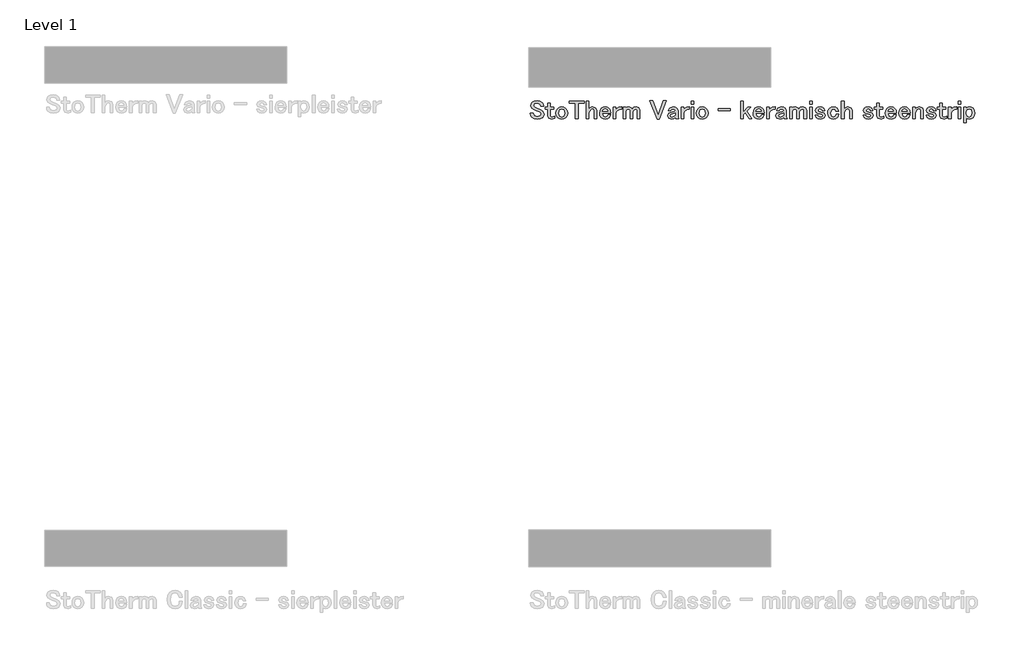
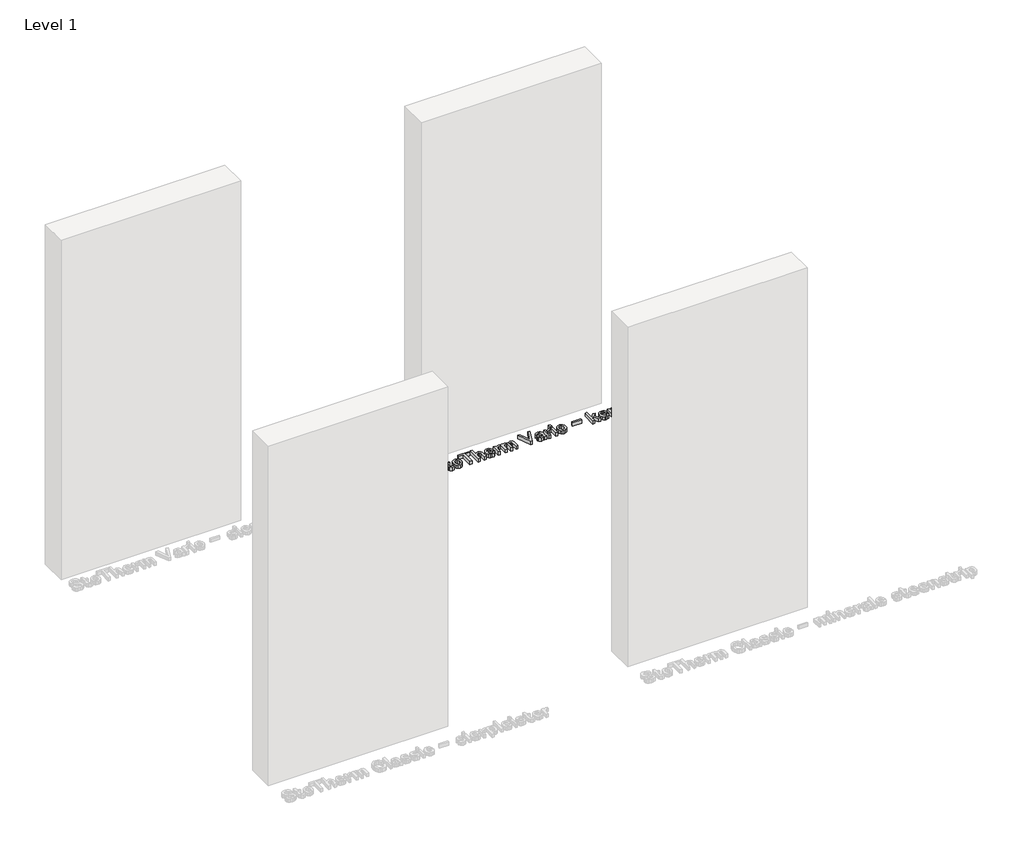
# One storey, part 3 of 3: 1 proxy.
"""IFC4 building model written with IfcOpenShell, lengths in millimetres."""

from ifc_helpers import new_model, si_unit, origin, origin_with_axes, place, context, project, spatial, polyline, outline, extrude, element, save

model = new_model("IFC4")

# Units and contexts
model_context = context("Model", 3, world=origin())
ifc_project = project(units=[si_unit("LENGTHUNIT", "METRE", prefix="MILLI")], contexts=[model_context])

# Site, building, storey
site = spatial("IfcSite", under=ifc_project)
building = spatial("IfcBuilding", under=site)
storey = spatial("IfcBuildingStorey", under=building, Name="Level 1", Elevation=0.0)

# Proxy
placement = place(None, origin())
element("IfcBuildingElementProxy", 1, Name="Generic Models", at=placement, inside=storey, context=model_context, shape_type="SweptSolid", body=[
    extrude(outline(polyline([(4967.1007315, 3067.1164993), (4968.6740526, 3074.8322385), (4973.394016, 3081.5996746), (4981.2390693, 3086.1903239), (4992.5324976, 3087.7205403), (5004.6621568, 3085.9748004), (5013.3606829, 3080.7375808), (5018.0935777, 3073.8322097), (5019.6712093, 3065.7026656), (5007.6536222, 3065.7026656), (5004.5500846, 3074.3925707), (4993.3945913, 3078.082332), (4981.7908093, 3074.8236176), (4979.1355605, 3068.3923981), (4980.5149105, 3063.2370774), (4987.8427075, 3059.0817854), (5010.0157591, 3049.2711584), (5016.7745742, 3044.8917221), (5021.8092018, 3033.4086332), (5020.2315702, 3025.3782297), (5015.4986754, 3018.494411), (5006.8001494, 3013.5804766), (4993.8083963, 3011.9424984), (4980.8166433, 3013.8994513), (4971.2560235, 3019.7703098), (4966.8593453, 3026.9946555), (4965.3937859, 3036.9432176), (4977.4286148, 3036.9432176), (4980.5149105, 3025.684273), (4994.2394432, 3021.1496598), (5006.6708353, 3025.270468), (5009.7743728, 3031.7016875), (5007.5329291, 3037.7018601), (5001.0155002, 3041.857152), (4989.9289744, 3046.977989), (4977.6010336, 3052.512631), (4971.2560235, 3056.4782623), (4967.1007315, 3067.1164993)])), origin_with_axes(), (0.0, 0.0, 1.0), 20.0),
    extrude(outline(polyline([(5036.5510052, 3078.3409601), (5047.2926935, 3078.3409601), (5047.2926935, 3061.6853086), (5061.8103524, 3061.6853086), (5061.8103524, 3053.754046), (5047.2926935, 3053.754046), (5047.2926935, 3026.5808505), (5049.1030904, 3022.2703817), (5053.8790898, 3020.7186129), (5065.6380488, 3023.7186992), (5065.6380488, 3014.8908591), (5054.2928948, 3011.9424984), (5041.137344, 3015.9426135), (5036.5510052, 3025.7187568), (5036.5510052, 3053.754046), (5026.3093312, 3053.754046), (5026.3093312, 3061.6853086), (5036.5510052, 3061.6853086), (5036.5510052, 3078.3409601)])), origin_with_axes(), (0.0, 0.0, 1.0), 20.0),
    extrude(outline(polyline([(5070.724402, 3037.2363295), (5072.6166978, 3047.5211081), (5078.2935852, 3055.9954898), (5085.7162125, 3060.9094242), (5094.8802692, 3062.5474024), (5104.0227736, 3060.9094242), (5111.4497114, 3055.9954898), (5117.1265988, 3047.5124871), (5119.0188946, 3037.2363295), (5117.1265988, 3026.9731032), (5111.4497114, 3018.494411), (5104.0227736, 3013.5804766), (5094.8802692, 3011.9424984), (5085.7162125, 3013.5804766), (5078.2935852, 3018.494411), (5072.6166978, 3026.9644823), (5070.724402, 3037.2363295)]), holes=[polyline([(5094.8802692, 3053.754046), (5087.1214254, 3050.4953316), (5082.328184, 3037.2363295), (5086.6903785, 3024.4083743), (5094.8802692, 3020.7186129), (5103.0529181, 3024.4083743), (5107.4323544, 3037.2363295), (5102.6218712, 3050.4953316), (5094.8802692, 3053.754046)])]), origin_with_axes(), (0.0, 0.0, 1.0), 20.0),
    extrude(outline(polyline([(5126.3984172, 3086.8756884), (5187.0725764, 3086.8756884), (5187.0725764, 3077.6512851), (5162.7442903, 3077.6512851), (5162.7442903, 3012.7873503), (5150.7267033, 3012.7873503), (5150.7267033, 3077.6512851), (5126.3984172, 3077.6512851), (5126.3984172, 3086.8756884)])), origin_with_axes(), (0.0, 0.0, 1.0), 20.0),
    extrude(outline(polyline([(5196.0211096, 3086.8756884), (5206.7627979, 3086.8756884), (5206.7627979, 3053.1505803), (5213.1509127, 3060.1981969), (5221.4528757, 3062.5474024), (5235.4532784, 3058.1162404), (5240.0568591, 3047.4780034), (5240.0568591, 3012.7873503), (5229.3151708, 3012.7873503), (5229.3151708, 3045.3572527), (5226.6426801, 3052.6333241), (5221.4528757, 3054.6161397), (5213.6940318, 3050.9263784), (5206.7627979, 3038.0984232), (5206.7627979, 3012.7873503), (5196.0211096, 3012.7873503), (5196.0211096, 3086.8756884)])), origin_with_axes(), (0.0, 0.0, 1.0), 20.0),
    extrude(outline(polyline([(5251.0226918, 3037.2363295), (5252.9149876, 3047.8400828), (5258.591875, 3056.4092948), (5265.6912172, 3061.0128755), (5274.7475122, 3062.5474024), (5283.5753523, 3060.9094242), (5290.8859074, 3055.9954898), (5295.6058708, 3048.0125015), (5297.1791919, 3036.6845895), (5262.6264738, 3036.6845895), (5266.5576214, 3024.4083743), (5275.5923641, 3020.7186129), (5283.3339661, 3023.1324755), (5286.0236986, 3030.115435), (5297.6102388, 3030.115435), (5291.7307593, 3017.6495591), (5284.8512511, 3013.3692636), (5275.5923641, 3011.9424984), (5265.7946684, 3013.5804766), (5258.1608281, 3018.494411), (5252.8072259, 3026.7489588), (5251.0226918, 3037.2363295)]), holes=[polyline([(5274.3164653, 3054.1850929), (5266.5576214, 3050.9263784), (5263.0402788, 3044.6158521), (5285.1616048, 3044.6158521), (5282.0580673, 3051.3574253), (5274.3164653, 3054.1850929)])]), origin_with_axes(), (0.0, 0.0, 1.0), 20.0),
    extrude(outline(polyline([(5321.6971386, 3055.5644429), (5330.2491087, 3060.8016625), (5341.9391001, 3062.5474024), (5341.9391001, 3052.0471003), (5336.14583, 3052.4781472), (5324.9730949, 3047.0814402), (5318.9039548, 3037.719102), (5318.9039548, 3012.7873503), (5308.1622665, 3012.7873503), (5308.1622665, 3061.6853086), (5318.9039548, 3061.6853086), (5318.9039548, 3049.736689), (5321.6971386, 3055.5644429)])), origin_with_axes(), (0.0, 0.0, 1.0), 20.0),
    extrude(outline(polyline([(5359.0430404, 3012.7873503), (5348.3013521, 3012.7873503), (5348.3013521, 3061.6853086), (5359.0430404, 3061.6853086), (5359.0430404, 3054.443721), (5363.8233503, 3060.521482), (5370.7502737, 3062.5474024), (5383.9058246, 3058.1162404), (5386.6472827, 3053.5816272), (5392.7810799, 3060.3059586), (5401.9063424, 3062.5474024), (5413.3377057, 3058.5472873), (5417.9412864, 3048.771144), (5417.9412864, 3012.7873503), (5407.1995981, 3012.7873503), (5407.1995981, 3047.0641984), (5405.8030062, 3050.9263784), (5400.6132017, 3053.340241), (5391.5784591, 3049.6504797), (5388.4921634, 3043.6503071), (5388.4921634, 3012.7873503), (5377.7504751, 3012.7873503), (5377.7504751, 3046.6331515), (5375.5090313, 3051.3574253), (5369.88818, 3053.340241), (5362.560383, 3050.0815265), (5359.0430404, 3043.2192602), (5359.0430404, 3012.7873503)])), origin_with_axes(), (0.0, 0.0, 1.0), 20.0),
    extrude(outline(polyline([(5459.4769639, 3087.2894934), (5471.7014535, 3087.2894934), (5493.4434582, 3027.9774424), (5515.1682211, 3087.2894934), (5527.4099525, 3087.2894934), (5498.167732, 3012.3735453), (5488.7019425, 3012.3735453), (5459.4769639, 3087.2894934)])), origin_with_axes(), (0.0, 0.0, 1.0), 20.0),
    extrude(outline(polyline([(5534.3756701, 3046.5124584), (5540.2206659, 3057.7024354), (5554.6693573, 3062.5474024), (5564.3506703, 3061.3361606), (5570.8077526, 3057.7024354), (5575.4113333, 3047.4780034), (5575.4113333, 3020.5979198), (5578.8252246, 3012.7873503), (5566.8421213, 3012.7873503), (5564.669645, 3018.3392342), (5558.5530898, 3013.5416824), (5549.5485204, 3011.9424984), (5536.3929695, 3016.3564185), (5532.2376776, 3025.7187568), (5536.3929695, 3035.9259469), (5548.9450548, 3041.6330077), (5557.6522018, 3043.7192746), (5564.669645, 3045.9262346), (5562.4109593, 3051.3574253), (5555.962498, 3053.754046), (5548.2036541, 3051.3574253), (5545.7897916, 3046.5124584), (5534.3756701, 3046.5124584)]), holes=[polyline([(5564.669645, 3037.1156363), (5561.3074793, 3035.8569794), (5550.2209535, 3033.28794), (5545.6346147, 3030.8740775), (5543.8242178, 3026.5808505), (5545.6346147, 3021.8393348), (5550.4106141, 3020.7186129), (5561.5661075, 3025.270468), (5564.669645, 3029.1326481), (5564.669645, 3037.1156363)])]), origin_with_axes(), (0.0, 0.0, 1.0), 20.0),
    extrude(outline(polyline([(5601.9810631, 3055.5644429), (5610.5330333, 3060.8016625), (5622.2230247, 3062.5474024), (5622.2230247, 3052.0471003), (5616.4297546, 3052.4781472), (5605.2570194, 3047.0814402), (5599.1878793, 3037.719102), (5599.1878793, 3012.7873503), (5588.446191, 3012.7873503), (5588.446191, 3061.6853086), (5599.1878793, 3061.6853086), (5599.1878793, 3049.736689), (5601.9810631, 3055.5644429)])), origin_with_axes(), (0.0, 0.0, 1.0), 20.0),
    extrude(outline(polyline([(5629.4473704, 3086.4446415), (5640.1890587, 3086.4446415), (5640.1890587, 3074.2373938), (5629.4473704, 3074.2373938), (5629.4473704, 3086.4446415)])), origin_with_axes(), (0.0, 0.0, 1.0), 20.0),
    extrude(outline(polyline([(5629.4473704, 3061.6853086), (5640.1890587, 3061.6853086), (5640.1890587, 3012.7873503), (5629.4473704, 3012.7873503), (5629.4473704, 3061.6853086)])), origin_with_axes(), (0.0, 0.0, 1.0), 20.0),
    extrude(outline(polyline([(5651.1548914, 3037.2363295), (5653.0471872, 3047.5211081), (5658.7240747, 3055.9954898), (5666.146702, 3060.9094242), (5675.3107587, 3062.5474024), (5684.453263, 3060.9094242), (5691.8802008, 3055.9954898), (5697.5570883, 3047.5124871), (5699.4493841, 3037.2363295), (5697.5570883, 3026.9731032), (5691.8802008, 3018.494411), (5684.453263, 3013.5804766), (5675.3107587, 3011.9424984), (5666.146702, 3013.5804766), (5658.7240747, 3018.494411), (5653.0471872, 3026.9644823), (5651.1548914, 3037.2363295)]), holes=[polyline([(5675.3107587, 3053.754046), (5667.5519148, 3050.4953316), (5662.7586735, 3037.2363295), (5667.1208679, 3024.4083743), (5675.3107587, 3020.7186129), (5683.4834076, 3024.4083743), (5687.8628439, 3037.2363295), (5683.0523607, 3050.4953316), (5675.3107587, 3053.754046)])]), origin_with_axes(), (0.0, 0.0, 1.0), 20.0),
    extrude(outline(polyline([(5741.0367873, 3054.857526), (5791.9003193, 3054.857526), (5791.9003193, 3046.9262634), (5741.0367873, 3046.9262634), (5741.0367873, 3054.857526)])), origin_with_axes(), (0.0, 0.0, 1.0), 20.0),
    extrude(outline(polyline([(5834.0911881, 3086.8756884), (5844.8328764, 3086.8756884), (5844.8328764, 3040.7881558), (5864.0058418, 3061.6853086), (5876.4027501, 3061.6853086), (5860.1953873, 3044.8917221), (5879.8166414, 3012.7873503), (5868.9715018, 3012.7873503), (5853.2986372, 3038.822582), (5844.8328764, 3029.4947275), (5844.8328764, 3012.7873503), (5834.0911881, 3012.7873503), (5834.0911881, 3086.8756884)])), origin_with_axes(), (0.0, 0.0, 1.0), 20.0),
    extrude(outline(polyline([(5885.5237021, 3037.2363295), (5887.4159979, 3047.8400828), (5893.0928854, 3056.4092948), (5900.1922275, 3061.0128755), (5909.2485225, 3062.5474024), (5918.0763626, 3060.9094242), (5925.3869178, 3055.9954898), (5930.1068811, 3048.0125015), (5931.6802022, 3036.6845895), (5897.1274842, 3036.6845895), (5901.0586317, 3024.4083743), (5910.0933744, 3020.7186129), (5917.8349764, 3023.1324755), (5920.5247089, 3030.115435), (5932.1112491, 3030.115435), (5926.2317696, 3017.6495591), (5919.3522614, 3013.3692636), (5910.0933744, 3011.9424984), (5900.2956788, 3013.5804766), (5892.6618385, 3018.494411), (5887.3082362, 3026.7489588), (5885.5237021, 3037.2363295)]), holes=[polyline([(5908.8174756, 3054.1850929), (5901.0586317, 3050.9263784), (5897.5412892, 3044.6158521), (5919.6626152, 3044.6158521), (5916.5590776, 3051.3574253), (5908.8174756, 3054.1850929)])]), origin_with_axes(), (0.0, 0.0, 1.0), 20.0),
    extrude(outline(polyline([(5956.1981489, 3055.5644429), (5964.750119, 3060.8016625), (5976.4401105, 3062.5474024), (5976.4401105, 3052.0471003), (5970.6468404, 3052.4781472), (5959.4741052, 3047.0814402), (5953.4049651, 3037.719102), (5953.4049651, 3012.7873503), (5942.6632768, 3012.7873503), (5942.6632768, 3061.6853086), (5953.4049651, 3061.6853086), (5953.4049651, 3049.736689), (5956.1981489, 3055.5644429)])), origin_with_axes(), (0.0, 0.0, 1.0), 20.0),
    extrude(outline(polyline([(5982.3885574, 3046.5124584), (5988.2335532, 3057.7024354), (6002.6822446, 3062.5474024), (6012.3635576, 3061.3361606), (6018.8206399, 3057.7024354), (6023.4242206, 3047.4780034), (6023.4242206, 3020.5979198), (6026.8381119, 3012.7873503), (6014.8550086, 3012.7873503), (6012.6825323, 3018.3392342), (6006.565977, 3013.5416824), (5997.5614077, 3011.9424984), (5984.4058568, 3016.3564185), (5980.2505649, 3025.7187568), (5984.4058568, 3035.9259469), (5996.957942, 3041.6330077), (6005.6650891, 3043.7192746), (6012.6825323, 3045.9262346), (6010.4238466, 3051.3574253), (6003.9753853, 3053.754046), (5996.2165414, 3051.3574253), (5993.8026789, 3046.5124584), (5982.3885574, 3046.5124584)]), holes=[polyline([(6012.6825323, 3037.1156363), (6009.3203666, 3035.8569794), (5998.2338408, 3033.28794), (5993.647502, 3030.8740775), (5991.8371051, 3026.5808505), (5993.647502, 3021.8393348), (5998.4235014, 3020.7186129), (6009.5789947, 3025.270468), (6012.6825323, 3029.1326481), (6012.6825323, 3037.1156363)])]), origin_with_axes(), (0.0, 0.0, 1.0), 20.0),
    extrude(outline(polyline([(6047.6145716, 3012.7873503), (6036.8728833, 3012.7873503), (6036.8728833, 3061.6853086), (6047.6145716, 3061.6853086), (6047.6145716, 3054.443721), (6052.3948815, 3060.521482), (6059.3218049, 3062.5474024), (6072.4773558, 3058.1162404), (6075.2188139, 3053.5816272), (6081.3526111, 3060.3059586), (6090.4778736, 3062.5474024), (6101.9092369, 3058.5472873), (6106.5128176, 3048.771144), (6106.5128176, 3012.7873503), (6095.7711293, 3012.7873503), (6095.7711293, 3047.0641984), (6094.3745374, 3050.9263784), (6089.1847329, 3053.340241), (6080.1499903, 3049.6504797), (6077.0636946, 3043.6503071), (6077.0636946, 3012.7873503), (6066.3220063, 3012.7873503), (6066.3220063, 3046.6331515), (6064.0805625, 3051.3574253), (6058.4597112, 3053.340241), (6051.1319142, 3050.0815265), (6047.6145716, 3043.2192602), (6047.6145716, 3012.7873503)])), origin_with_axes(), (0.0, 0.0, 1.0), 20.0),
    extrude(outline(polyline([(6119.3924984, 3061.6853086), (6130.1341867, 3061.6853086), (6130.1341867, 3012.7873503), (6119.3924984, 3012.7873503), (6119.3924984, 3061.6853086)])), origin_with_axes(), (0.0, 0.0, 1.0), 20.0),
    extrude(outline(polyline([(6119.3924984, 3086.4446415), (6130.1341867, 3086.4446415), (6130.1341867, 3074.2373938), (6119.3924984, 3074.2373938), (6119.3924984, 3086.4446415)])), origin_with_axes(), (0.0, 0.0, 1.0), 20.0),
    extrude(outline(polyline([(6142.806965, 3047.4780034), (6146.962257, 3057.2713885), (6153.4279602, 3061.2283989), (6162.2730422, 3062.5474024), (6171.63107, 3061.3361606), (6177.9803906, 3057.7024354), (6182.5667294, 3047.3573103), (6171.8940086, 3047.3573103), (6170.4284492, 3051.7884722), (6161.8419954, 3054.1850929), (6155.7900971, 3051.7884722), (6153.9797002, 3047.4780034), (6154.9280034, 3044.8917221), (6165.066226, 3041.1847189), (6174.5837412, 3038.6156795), (6180.1183831, 3035.5121419), (6183.8598701, 3026.9946555), (6179.2562894, 3017.2185123), (6172.4759219, 3013.2615019), (6162.6868472, 3011.9424984), (6152.8977725, 3013.2615019), (6146.1174051, 3017.2185123), (6141.5310663, 3028.8395362), (6152.2037871, 3028.8395362), (6154.0831515, 3023.1324755), (6162.2730422, 3020.3048079), (6171.290543, 3022.7014286), (6172.6871349, 3026.5808505), (6170.8594961, 3030.0119837), (6165.8421104, 3032.4430881), (6154.2555702, 3035.4259326), (6146.962257, 3038.9777589), (6142.806965, 3047.4780034)])), origin_with_axes(), (0.0, 0.0, 1.0), 20.0),
    extrude(outline(polyline([(6193.3946271, 3036.8225245), (6195.1791612, 3047.3098951), (6200.5327635, 3055.5644429), (6207.9553908, 3060.4783773), (6217.1194475, 3062.1163555), (6226.585237, 3060.797352), (6233.2578428, 3056.8403417), (6239.1373222, 3044.3744658), (6227.6025077, 3044.3744658), (6224.4300026, 3050.9263784), (6217.5504944, 3053.340241), (6209.7916505, 3050.0815265), (6204.9984092, 3036.3914776), (6209.3606036, 3023.5635224), (6217.1194475, 3020.3048079), (6225.7059014, 3023.5635224), (6228.8094389, 3032.6672325), (6240.413221, 3032.6672325), (6238.611445, 3024.0118111), (6234.1026947, 3017.2185123), (6227.0119734, 3012.9382167), (6217.1194475, 3011.5114515), (6208.3864377, 3013.0459784), (6201.3948572, 3017.6495591), (6195.3946846, 3026.4342946), (6193.3946271, 3036.8225245)])), origin_with_axes(), (0.0, 0.0, 1.0), 20.0),
    extrude(outline(polyline([(6250.9480068, 3086.8756884), (6261.6896951, 3086.8756884), (6261.6896951, 3053.1505803), (6268.0778099, 3060.1981969), (6276.3797728, 3062.5474024), (6290.3801756, 3058.1162404), (6294.9837563, 3047.4780034), (6294.9837563, 3012.7873503), (6284.242068, 3012.7873503), (6284.242068, 3045.3572527), (6281.5695773, 3052.6333241), (6276.3797728, 3054.6161397), (6268.620929, 3050.9263784), (6261.6896951, 3038.0984232), (6261.6896951, 3012.7873503), (6250.9480068, 3012.7873503), (6250.9480068, 3086.8756884)])), origin_with_axes(), (0.0, 0.0, 1.0), 20.0),
    extrude(outline(polyline([(6341.4333683, 3047.4780034), (6345.5886602, 3057.2713885), (6352.0543634, 3061.2283989), (6360.8994455, 3062.5474024), (6370.2574733, 3061.3361606), (6376.6067938, 3057.7024354), (6381.1931327, 3047.3573103), (6370.5204119, 3047.3573103), (6369.0548525, 3051.7884722), (6360.4683986, 3054.1850929), (6354.4165004, 3051.7884722), (6352.6061035, 3047.4780034), (6353.5544066, 3044.8917221), (6363.6926293, 3041.1847189), (6373.2101444, 3038.6156795), (6378.7447864, 3035.5121419), (6382.4862733, 3026.9946555), (6377.8826926, 3017.2185123), (6371.1023252, 3013.2615019), (6361.3132505, 3011.9424984), (6351.5241758, 3013.2615019), (6344.7438083, 3017.2185123), (6340.1574695, 3028.8395362), (6350.8301903, 3028.8395362), (6352.7095547, 3023.1324755), (6360.8994455, 3020.3048079), (6369.9169462, 3022.7014286), (6371.3135381, 3026.5808505), (6369.4858994, 3030.0119837), (6364.4685136, 3032.4430881), (6352.8819735, 3035.4259326), (6345.5886602, 3038.9777589), (6341.4333683, 3047.4780034)])), origin_with_axes(), (0.0, 0.0, 1.0), 20.0),
    extrude(outline(polyline([(6397.1418673, 3078.3409601), (6407.8835556, 3078.3409601), (6407.8835556, 3061.6853086), (6422.4012146, 3061.6853086), (6422.4012146, 3053.754046), (6407.8835556, 3053.754046), (6407.8835556, 3026.5808505), (6409.6939525, 3022.2703817), (6414.469952, 3020.7186129), (6426.2289109, 3023.7186992), (6426.2289109, 3014.8908591), (6414.883757, 3011.9424984), (6401.7282061, 3015.9426135), (6397.1418673, 3025.7187568), (6397.1418673, 3053.754046), (6386.9001934, 3053.754046), (6386.9001934, 3061.6853086), (6397.1418673, 3061.6853086), (6397.1418673, 3078.3409601)])), origin_with_axes(), (0.0, 0.0, 1.0), 20.0),
    extrude(outline(polyline([(6431.746311, 3037.2363295), (6433.6386068, 3047.8400828), (6439.3154942, 3056.4092948), (6446.4148364, 3061.0128755), (6455.4711314, 3062.5474024), (6464.2989715, 3060.9094242), (6471.6095266, 3055.9954898), (6476.32949, 3048.0125015), (6477.9028111, 3036.6845895), (6443.3500931, 3036.6845895), (6447.2812406, 3024.4083743), (6456.3159833, 3020.7186129), (6464.0575853, 3023.1324755), (6466.7473178, 3030.115435), (6478.333858, 3030.115435), (6472.4543785, 3017.6495591), (6465.5748703, 3013.3692636), (6456.3159833, 3011.9424984), (6446.5182876, 3013.5804766), (6438.8844474, 3018.494411), (6433.5308451, 3026.7489588), (6431.746311, 3037.2363295)]), holes=[polyline([(6455.0400845, 3054.1850929), (6447.2812406, 3050.9263784), (6443.7638981, 3044.6158521), (6465.8852241, 3044.6158521), (6462.7816865, 3051.3574253), (6455.0400845, 3054.1850929)])]), origin_with_axes(), (0.0, 0.0, 1.0), 20.0),
    extrude(outline(polyline([(6488.0237919, 3037.2363295), (6489.9160877, 3047.8400828), (6495.5929752, 3056.4092948), (6502.6923173, 3061.0128755), (6511.7486123, 3062.5474024), (6520.5764524, 3060.9094242), (6527.8870076, 3055.9954898), (6532.6069709, 3048.0125015), (6534.180292, 3036.6845895), (6499.627574, 3036.6845895), (6503.5587215, 3024.4083743), (6512.5934642, 3020.7186129), (6520.3350662, 3023.1324755), (6523.0247987, 3030.115435), (6534.6113389, 3030.115435), (6528.7318594, 3017.6495591), (6521.8523512, 3013.3692636), (6512.5934642, 3011.9424984), (6502.7957686, 3013.5804766), (6495.1619283, 3018.494411), (6489.808326, 3026.7489588), (6488.0237919, 3037.2363295)]), holes=[polyline([(6511.3175654, 3054.1850929), (6503.5587215, 3050.9263784), (6500.041379, 3044.6158521), (6522.162705, 3044.6158521), (6519.0591674, 3051.3574253), (6511.3175654, 3054.1850929)])]), origin_with_axes(), (0.0, 0.0, 1.0), 20.0),
    extrude(outline(polyline([(6556.3188599, 3012.7873503), (6545.5771716, 3012.7873503), (6545.5771716, 3061.6853086), (6556.3188599, 3061.6853086), (6556.3188599, 3053.1505803), (6563.0475017, 3060.1981969), (6571.4399845, 3062.5474024), (6585.8714341, 3057.2713885), (6589.6129211, 3048.771144), (6589.6129211, 3012.7873503), (6578.8712328, 3012.7873503), (6578.8712328, 3046.2021046), (6576.6125471, 3052.2022772), (6570.1640857, 3054.6161397), (6562.4052419, 3050.4953316), (6556.3188599, 3037.2363295), (6556.3188599, 3012.7873503)])), origin_with_axes(), (0.0, 0.0, 1.0), 20.0),
    extrude(outline(polyline([(6601.8546525, 3047.4780034), (6606.0099445, 3057.2713885), (6612.4756477, 3061.2283989), (6621.3207297, 3062.5474024), (6630.6787575, 3061.3361606), (6637.0280781, 3057.7024354), (6641.6144169, 3047.3573103), (6630.9416961, 3047.3573103), (6629.4761367, 3051.7884722), (6620.8896828, 3054.1850929), (6614.8377846, 3051.7884722), (6613.0273877, 3047.4780034), (6613.9756908, 3044.8917221), (6624.1139135, 3041.1847189), (6633.6314287, 3038.6156795), (6639.1660706, 3035.5121419), (6642.9075576, 3026.9946555), (6638.3039769, 3017.2185123), (6631.5236094, 3013.2615019), (6621.7345347, 3011.9424984), (6611.94546, 3013.2615019), (6605.1650926, 3017.2185123), (6600.5787537, 3028.8395362), (6611.2514745, 3028.8395362), (6613.1308389, 3023.1324755), (6621.3207297, 3020.3048079), (6630.3382305, 3022.7014286), (6631.7348224, 3026.5808505), (6629.9071836, 3030.0119837), (6624.8897979, 3032.4430881), (6613.3032577, 3035.4259326), (6606.0099445, 3038.9777589), (6601.8546525, 3047.4780034)])), origin_with_axes(), (0.0, 0.0, 1.0), 20.0),
    extrude(outline(polyline([(6657.5631515, 3078.3409601), (6668.3048398, 3078.3409601), (6668.3048398, 3061.6853086), (6682.8224988, 3061.6853086), (6682.8224988, 3053.754046), (6668.3048398, 3053.754046), (6668.3048398, 3026.5808505), (6670.1152367, 3022.2703817), (6674.8912362, 3020.7186129), (6686.6501951, 3023.7186992), (6686.6501951, 3014.8908591), (6675.3050412, 3011.9424984), (6662.1494904, 3015.9426135), (6657.5631515, 3025.7187568), (6657.5631515, 3053.754046), (6647.3214776, 3053.754046), (6647.3214776, 3061.6853086), (6657.5631515, 3061.6853086), (6657.5631515, 3078.3409601)])), origin_with_axes(), (0.0, 0.0, 1.0), 20.0),
    extrude(outline(polyline([(6706.5645611, 3055.5644429), (6715.1165312, 3060.8016625), (6726.8065227, 3062.5474024), (6726.8065227, 3052.0471003), (6721.0132526, 3052.4781472), (6709.8405174, 3047.0814402), (6703.7713773, 3037.719102), (6703.7713773, 3012.7873503), (6693.029689, 3012.7873503), (6693.029689, 3061.6853086), (6703.7713773, 3061.6853086), (6703.7713773, 3049.736689), (6706.5645611, 3055.5644429)])), origin_with_axes(), (0.0, 0.0, 1.0), 20.0),
    extrude(outline(polyline([(6734.0308684, 3086.4446415), (6744.7725567, 3086.4446415), (6744.7725567, 3074.2373938), (6734.0308684, 3074.2373938), (6734.0308684, 3086.4446415)])), origin_with_axes(), (0.0, 0.0, 1.0), 20.0),
    extrude(outline(polyline([(6734.0308684, 3061.6853086), (6744.7725567, 3061.6853086), (6744.7725567, 3012.7873503), (6734.0308684, 3012.7873503), (6734.0308684, 3061.6853086)])), origin_with_axes(), (0.0, 0.0, 1.0), 20.0),
    extrude(outline(polyline([(6767.3421715, 2997.0110344), (6756.6004832, 2997.0110344), (6756.6004832, 3061.6853086), (6767.3421715, 3061.6853086), (6767.3421715, 3056.1506666), (6772.036272, 3060.9482184), (6779.4632098, 3062.5474024), (6788.079837, 3061.1206372), (6794.7567532, 3056.8403417), (6800.1232868, 3048.3616495), (6801.9121314, 3037.2363295), (6800.1232868, 3025.8006557), (6794.7567532, 3017.2185123), (6788.079837, 3012.9382167), (6779.4632098, 3011.5114515), (6771.5534995, 3013.2183972), (6767.3421715, 3018.3392342), (6767.3421715, 2997.0110344)]), holes=[polyline([(6779.4632098, 3053.754046), (6771.273319, 3050.0815265), (6767.3421715, 3040.2364158), (6767.3421715, 3034.253485), (6771.7043659, 3023.9773274), (6779.4632098, 3020.3048079), (6785.928913, 3023.1324755), (6790.3083493, 3037.2363295), (6786.3599599, 3050.4953316), (6779.4632098, 3053.754046)])]), origin_with_axes(), (0.0, 0.0, 1.0), 20.0),
])

save(model, "model.ifc")
